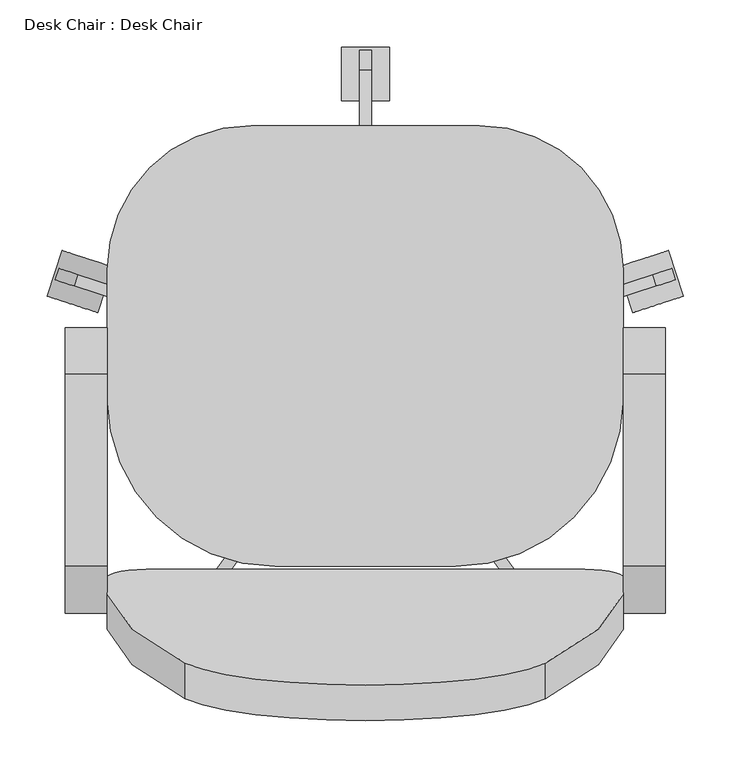
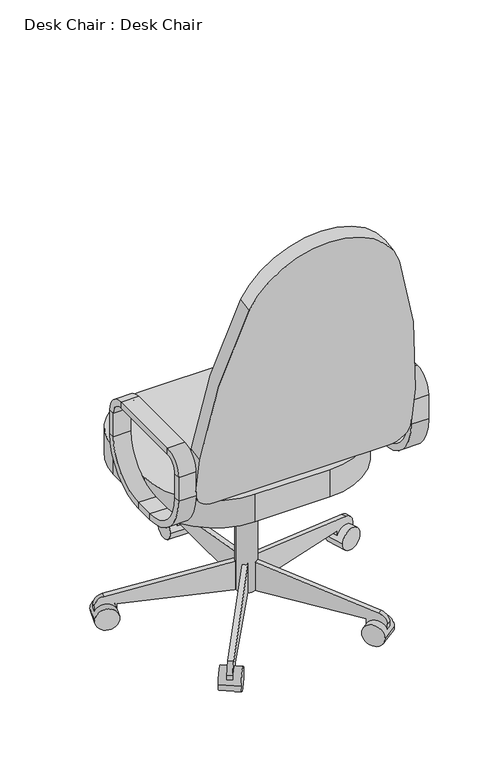
"""IFC4 building model written with IfcOpenShell, lengths in millimetres: furniture geometry, Desk Chair : Desk Chair."""

from ifc_helpers import new_model, si_unit, point, frame, frame_2d, origin, place, context, project, spatial, polyline, circle_curve, trimmed, segment, composite_curve, outline, extrude, source, transform, mapped, element, save
from ifc_brep_helpers import plane_surface, cylinder_surface, revolved_surface, advanced_brep


def desk_chair_desk_chair_8d69e98c(model_context):
    return source(origin(), model_context, "Body", "SolidModel", [
        advanced_brep(
        [(-176.5091803, -217.7873012, 546.1), (-176.5091803, -108.0540984, 436.3667972), (-176.5091803, -108.0540984, 420.4917972), (-176.5091803, -233.6623012, 546.1), (-132.0591803, -217.7873012, 546.1), (-132.0591803, -108.0540984, 436.3667972), (-132.0591803, -233.6623012, 546.1), (-132.0591803, -108.0540984, 420.4917972), (-176.5091803, -233.6623012, 609.6), (-176.5091803, -217.7873012, 609.6), (-132.0591803, -217.7873012, 609.6), (-132.0591803, -233.6623012, 609.6), (-176.5091803, -184.2540984, 643.1332028), (-176.5091803, -184.2540984, 659.0082028), (-132.0591803, -184.2540984, 643.1332028), (-132.0591803, -184.2540984, 659.0082028), (-176.5091803, 18.9459016, 659.0082028), (-176.5091803, 18.9459016, 643.1332028), (-132.0591803, 18.9459016, 643.1332028), (-132.0591803, 18.9459016, 659.0082028), (-176.5091803, 52.4791044, 609.6), (-176.5091803, 68.3541044, 609.6), (-132.0591803, 52.4791044, 609.6), (-132.0591803, 68.3541044, 609.6), (-176.5091803, 68.3541044, 546.1), (-176.5091803, 52.4791044, 546.1), (-132.0591803, 52.4791044, 546.1), (-132.0591803, 68.3541044, 546.1), (-176.5091803, -57.2540984, 436.3667972), (-176.5091803, -57.2540984, 420.4917972), (-132.0591803, -57.2540984, 436.3667972), (-132.0591803, -57.2540984, 420.4917972)],
        [
            (0, 1, circle_curve(frame((-176.5091803, -108.0540984, 546.1), z_axis=(1.0, 0.0, 0.0), x_axis=(0.0, 0.0, -1.0)), 109.7332028)),
            (1, 2),
            (2, 3, circle_curve(frame((-176.5091803, -108.0540984, 546.1), z_axis=(-1.0, 0.0, 0.0), x_axis=(0.0, 0.0, -1.0)), 125.6082028)),
            (3, 0),
            (4, 5, circle_curve(frame((-132.0591803, -108.0540984, 546.1), z_axis=(1.0, 0.0, 0.0), x_axis=(0.0, 0.0, -1.0)), 109.7332028)),
            (5, 1),
            (0, 4),
            (6, 7, circle_curve(frame((-132.0591803, -108.0540984, 546.1), z_axis=(1.0, 0.0, 0.0), x_axis=(0.0, 0.0, -1.0)), 125.6082028)),
            (7, 5),
            (4, 6),
            (2, 7),
            (6, 3),
            (3, 8),
            (8, 9),
            (9, 0),
            (9, 10),
            (10, 4),
            (10, 11),
            (11, 6),
            (11, 8),
            (12, 9, circle_curve(frame((-176.5091803, -184.2540984, 609.6), z_axis=(1.0, 0.0, 0.0), x_axis=(0.0, -1.0, 0.0)), 33.5332028)),
            (8, 13, circle_curve(frame((-176.5091803, -184.2540984, 609.6), z_axis=(-1.0, 0.0, 0.0), x_axis=(0.0, -1.0, 0.0)), 49.4082028)),
            (13, 12),
            (14, 10, circle_curve(frame((-132.0591803, -184.2540984, 609.6), z_axis=(1.0, 0.0, 0.0), x_axis=(0.0, -1.0, 0.0)), 33.5332028)),
            (12, 14),
            (15, 11, circle_curve(frame((-132.0591803, -184.2540984, 609.6), z_axis=(1.0, 0.0, 0.0), x_axis=(0.0, -1.0, 0.0)), 49.4082028)),
            (14, 15),
            (15, 13),
            (13, 16),
            (16, 17),
            (17, 12),
            (17, 18),
            (18, 14),
            (18, 19),
            (19, 15),
            (19, 16),
            (20, 17, circle_curve(frame((-176.5091803, 18.9459016, 609.6), z_axis=(1.0, 0.0, 0.0), x_axis=(0.0, 0.0, 1.0)), 33.5332028)),
            (16, 21, circle_curve(frame((-176.5091803, 18.9459016, 609.6), z_axis=(-1.0, 0.0, 0.0), x_axis=(0.0, 0.0, 1.0)), 49.4082028)),
            (21, 20),
            (22, 18, circle_curve(frame((-132.0591803, 18.9459016, 609.6), z_axis=(1.0, 0.0, 0.0), x_axis=(0.0, 0.0, 1.0)), 33.5332028)),
            (20, 22),
            (23, 19, circle_curve(frame((-132.0591803, 18.9459016, 609.6), z_axis=(1.0, 0.0, 0.0), x_axis=(0.0, 0.0, 1.0)), 49.4082028)),
            (22, 23),
            (23, 21),
            (21, 24),
            (24, 25),
            (25, 20),
            (25, 26),
            (26, 22),
            (26, 27),
            (27, 23),
            (27, 24),
            (28, 25, circle_curve(frame((-176.5091803, -57.2540984, 546.1), z_axis=(1.0, 0.0, 0.0), x_axis=(0.0, 1.0, 0.0)), 109.7332028)),
            (24, 29, circle_curve(frame((-176.5091803, -57.2540984, 546.1), z_axis=(-1.0, 0.0, 0.0), x_axis=(0.0, 1.0, 0.0)), 125.6082028)),
            (29, 28),
            (30, 26, circle_curve(frame((-132.0591803, -57.2540984, 546.1), z_axis=(1.0, 0.0, 0.0), x_axis=(0.0, 1.0, 0.0)), 109.7332028)),
            (28, 30),
            (31, 27, circle_curve(frame((-132.0591803, -57.2540984, 546.1), z_axis=(1.0, 0.0, 0.0), x_axis=(0.0, 1.0, 0.0)), 125.6082028)),
            (30, 31),
            (31, 29),
            (29, 2),
            (1, 28),
            (5, 30),
            (7, 31),
        ],
        [
            plane_surface(frame((-176.5091803, -108.0540984, 546.1), z_axis=(-1.0, 0.0, 0.0), x_axis=(0.0, 0.0, -1.0))),
            revolved_surface(polyline([(-176.5091803, -108.0540984, 436.3667972), (-132.0591803, -108.0540984, 436.3667972)]), (-132.0591803, -108.0540984, 546.1), (-1.0, 0.0, 0.0)),
            plane_surface(frame((-132.0591803, -108.0540984, 546.1), z_axis=(1.0, 0.0, 0.0), x_axis=(0.0, 0.0, -1.0))),
            cylinder_surface(frame((-132.0591803, -108.0540984, 546.1), z_axis=(-1.0, 0.0, 0.0), x_axis=(0.0, 0.0, -1.0)), 125.6082028),
            plane_surface(frame((-176.5091803, -233.6623012, 546.1), z_axis=(-1.0, 0.0, 0.0), x_axis=(0.0, 0.0, 1.0))),
            plane_surface(frame((-176.5091803, -217.7873012, 546.1), z_axis=(0.0, 1.0, 0.0), x_axis=(0.0, 0.0, 1.0))),
            plane_surface(frame((-132.0591803, -217.7873012, 546.1), z_axis=(1.0, 0.0, 0.0), x_axis=(0.0, 0.0, 1.0))),
            plane_surface(frame((-132.0591803, -233.6623012, 546.1), z_axis=(0.0, -1.0, 0.0), x_axis=(0.0, 0.0, 1.0))),
            plane_surface(frame((-176.5091803, -184.2540984, 609.6), z_axis=(-1.0, 0.0, 0.0), x_axis=(0.0, -1.0, 0.0))),
            revolved_surface(polyline([(-176.5091803, -217.7873012, 609.6), (-132.0591803, -217.7873012, 609.6)]), (-132.0591803, -184.2540984, 609.6), (-1.0, 0.0, 0.0)),
            plane_surface(frame((-132.0591803, -184.2540984, 609.6), z_axis=(1.0, 0.0, 0.0), x_axis=(0.0, -1.0, 0.0))),
            cylinder_surface(frame((-132.0591803, -184.2540984, 609.6), z_axis=(-1.0, 0.0, 0.0), x_axis=(0.0, -1.0, 0.0)), 49.4082028),
            plane_surface(frame((-176.5091803, -184.2540984, 659.0082028), z_axis=(-1.0, 0.0, 0.0), x_axis=(0.0, 1.0, 0.0))),
            plane_surface(frame((-176.5091803, -184.2540984, 643.1332028), z_axis=(0.0, 0.0, -1.0), x_axis=(0.0, 1.0, 0.0))),
            plane_surface(frame((-132.0591803, -184.2540984, 643.1332028), z_axis=(1.0, 0.0, 0.0), x_axis=(0.0, 1.0, 0.0))),
            plane_surface(frame((-132.0591803, -184.2540984, 659.0082028), z_axis=(0.0, 0.0, 1.0), x_axis=(0.0, 1.0, 0.0))),
            plane_surface(frame((-176.5091803, 18.9459016, 609.6), z_axis=(-1.0, 0.0, 0.0), x_axis=(0.0, 0.0, 1.0))),
            revolved_surface(polyline([(-176.5091803, 18.9459016, 643.1332028), (-132.0591803, 18.9459016, 643.1332028)]), (-132.0591803, 18.9459016, 609.6), (-1.0, 0.0, 0.0)),
            plane_surface(frame((-132.0591803, 18.9459016, 609.6), z_axis=(1.0, 0.0, 0.0), x_axis=(0.0, 0.0, 1.0))),
            cylinder_surface(frame((-132.0591803, 18.9459016, 609.6), z_axis=(-1.0, 0.0, 0.0), x_axis=(0.0, 0.0, 1.0)), 49.4082028),
            plane_surface(frame((-176.5091803, 68.3541044, 609.6), z_axis=(-1.0, 0.0, 0.0), x_axis=(0.0, 0.0, -1.0))),
            plane_surface(frame((-176.5091803, 52.4791044, 609.6), z_axis=(0.0, -1.0, 0.0), x_axis=(0.0, 0.0, -1.0))),
            plane_surface(frame((-132.0591803, 52.4791044, 609.6), z_axis=(1.0, 0.0, 0.0), x_axis=(0.0, 0.0, -1.0))),
            plane_surface(frame((-132.0591803, 68.3541044, 609.6), z_axis=(0.0, 1.0, 0.0), x_axis=(0.0, 0.0, -1.0))),
            plane_surface(frame((-176.5091803, -57.2540984, 546.1), z_axis=(-1.0, 0.0, 0.0), x_axis=(0.0, 1.0, 0.0))),
            revolved_surface(polyline([(-176.5091803, 52.479104400000004, 546.1), (-132.0591803, 52.479104400000004, 546.1)]), (-132.0591803, -57.2540984, 546.1), (-1.0, 0.0, 0.0)),
            plane_surface(frame((-132.0591803, -57.2540984, 546.1), z_axis=(1.0, 0.0, 0.0), x_axis=(0.0, 1.0, 0.0))),
            cylinder_surface(frame((-132.0591803, -57.2540984, 546.1), z_axis=(-1.0, 0.0, 0.0), x_axis=(0.0, 1.0, 0.0)), 125.6082028),
            plane_surface(frame((-176.5091803, -57.2540984, 420.4917972), z_axis=(-1.0, 0.0, 0.0), x_axis=(0.0, -1.0, 0.0))),
            plane_surface(frame((-176.5091803, -57.2540984, 436.3667972), z_axis=(0.0, 0.0, 1.0), x_axis=(0.0, -1.0, 0.0))),
            plane_surface(frame((-132.0591803, -57.2540984, 436.3667972), z_axis=(1.0, 0.0, 0.0), x_axis=(0.0, -1.0, 0.0))),
            plane_surface(frame((-132.0591803, -57.2540984, 420.4917972), z_axis=(0.0, 0.0, -1.0), x_axis=(0.0, -1.0, 0.0))),
        ],
        [
            (0, [[1, 2, 3, 4]]),
            (1, [[5, 6, -1, 7]]),
            (2, [[8, 9, -5, 10]]),
            (3, [[-3, 11, -8, 12]]),
            (4, [[-4, 13, 14, 15]]),
            (5, [[-7, -15, 16, 17]]),
            (6, [[-10, -17, 18, 19]]),
            (7, [[-12, -19, 20, -13]]),
            (8, [[21, -14, 22, 23]]),
            (9, [[24, -16, -21, 25]]),
            (10, [[26, -18, -24, 27]]),
            (11, [[-22, -20, -26, 28]]),
            (12, [[-23, 29, 30, 31]]),
            (13, [[-25, -31, 32, 33]]),
            (14, [[-27, -33, 34, 35]]),
            (15, [[-28, -35, 36, -29]]),
            (16, [[37, -30, 38, 39]]),
            (17, [[40, -32, -37, 41]]),
            (18, [[42, -34, -40, 43]]),
            (19, [[-38, -36, -42, 44]]),
            (20, [[-39, 45, 46, 47]]),
            (21, [[-41, -47, 48, 49]]),
            (22, [[-43, -49, 50, 51]]),
            (23, [[-44, -51, 52, -45]]),
            (24, [[53, -46, 54, 55]]),
            (25, [[56, -48, -53, 57]]),
            (26, [[58, -50, -56, 59]]),
            (27, [[-54, -52, -58, 60]]),
            (28, [[-55, 61, -2, 62]]),
            (29, [[-57, -62, -6, 63]]),
            (30, [[-59, -63, -9, 64]]),
            (31, [[-60, -64, -11, -61]]),
        ],
    ),
        advanced_brep(
        [(414.0408197, -233.6623012, 546.1), (414.0408197, -108.0540984, 420.4917972), (458.4908197, -108.0540984, 420.4917972), (458.4908197, -233.6623012, 546.1), (414.0408197, -217.7873012, 546.1), (414.0408197, -108.0540984, 436.3667972), (458.4908197, -217.7873012, 546.1), (458.4908197, -108.0540984, 436.3667972), (458.4908197, -233.6623012, 609.6), (414.0408197, -233.6623012, 609.6), (414.0408197, -217.7873012, 609.6), (458.4908197, -217.7873012, 609.6), (414.0408197, -184.2540984, 659.0082028), (458.4908197, -184.2540984, 659.0082028), (414.0408197, -184.2540984, 643.1332028), (458.4908197, -184.2540984, 643.1332028), (458.4908197, 18.9459016, 659.0082028), (414.0408197, 18.9459016, 659.0082028), (414.0408197, 18.9459016, 643.1332028), (458.4908197, 18.9459016, 643.1332028), (414.0408197, 68.3541044, 609.6), (458.4908197, 68.3541044, 609.6), (414.0408197, 52.4791044, 609.6), (458.4908197, 52.4791044, 609.6), (458.4908197, 68.3541044, 546.1), (414.0408197, 68.3541044, 546.1), (414.0408197, 52.4791044, 546.1), (458.4908197, 52.4791044, 546.1), (414.0408197, -57.2540984, 420.4917972), (458.4908197, -57.2540984, 420.4917972), (414.0408197, -57.2540984, 436.3667972), (458.4908197, -57.2540984, 436.3667972)],
        [
            (0, 1, circle_curve(frame((414.0408197, -108.0540984, 546.1), z_axis=(1.0, 0.0, 0.0), x_axis=(0.0, 0.0, -1.0)), 125.6082028)),
            (1, 2),
            (2, 3, circle_curve(frame((458.4908197, -108.0540984, 546.1), z_axis=(-1.0, 0.0, 0.0), x_axis=(0.0, 0.0, -1.0)), 125.6082028)),
            (3, 0),
            (4, 5, circle_curve(frame((414.0408197, -108.0540984, 546.1), z_axis=(1.0, 0.0, 0.0), x_axis=(0.0, 0.0, -1.0)), 109.7332028)),
            (5, 1),
            (0, 4),
            (6, 7, circle_curve(frame((458.4908197, -108.0540984, 546.1), z_axis=(1.0, 0.0, 0.0), x_axis=(0.0, 0.0, -1.0)), 109.7332028)),
            (7, 5),
            (4, 6),
            (2, 7),
            (6, 3),
            (3, 8),
            (8, 9),
            (9, 0),
            (9, 10),
            (10, 4),
            (10, 11),
            (11, 6),
            (11, 8),
            (12, 9, circle_curve(frame((414.0408197, -184.2540984, 609.6), z_axis=(1.0, 0.0, 0.0), x_axis=(0.0, -1.0, 0.0)), 49.4082028)),
            (8, 13, circle_curve(frame((458.4908197, -184.2540984, 609.6), z_axis=(-1.0, 0.0, 0.0), x_axis=(0.0, -1.0, 0.0)), 49.4082028)),
            (13, 12),
            (14, 10, circle_curve(frame((414.0408197, -184.2540984, 609.6), z_axis=(1.0, 0.0, 0.0), x_axis=(0.0, -1.0, 0.0)), 33.5332028)),
            (12, 14),
            (15, 11, circle_curve(frame((458.4908197, -184.2540984, 609.6), z_axis=(1.0, 0.0, 0.0), x_axis=(0.0, -1.0, 0.0)), 33.5332028)),
            (14, 15),
            (15, 13),
            (13, 16),
            (16, 17),
            (17, 12),
            (17, 18),
            (18, 14),
            (18, 19),
            (19, 15),
            (19, 16),
            (20, 17, circle_curve(frame((414.0408197, 18.9459016, 609.6), z_axis=(1.0, 0.0, 0.0), x_axis=(0.0, 0.0, 1.0)), 49.4082028)),
            (16, 21, circle_curve(frame((458.4908197, 18.9459016, 609.6), z_axis=(-1.0, 0.0, 0.0), x_axis=(0.0, 0.0, 1.0)), 49.4082028)),
            (21, 20),
            (22, 18, circle_curve(frame((414.0408197, 18.9459016, 609.6), z_axis=(1.0, 0.0, 0.0), x_axis=(0.0, 0.0, 1.0)), 33.5332028)),
            (20, 22),
            (23, 19, circle_curve(frame((458.4908197, 18.9459016, 609.6), z_axis=(1.0, 0.0, 0.0), x_axis=(0.0, 0.0, 1.0)), 33.5332028)),
            (22, 23),
            (23, 21),
            (21, 24),
            (24, 25),
            (25, 20),
            (25, 26),
            (26, 22),
            (26, 27),
            (27, 23),
            (27, 24),
            (28, 25, circle_curve(frame((414.0408197, -57.2540984, 546.1), z_axis=(1.0, 0.0, 0.0), x_axis=(0.0, 1.0, 0.0)), 125.6082028)),
            (24, 29, circle_curve(frame((458.4908197, -57.2540984, 546.1), z_axis=(-1.0, 0.0, 0.0), x_axis=(0.0, 1.0, 0.0)), 125.6082028)),
            (29, 28),
            (30, 26, circle_curve(frame((414.0408197, -57.2540984, 546.1), z_axis=(1.0, 0.0, 0.0), x_axis=(0.0, 1.0, 0.0)), 109.7332028)),
            (28, 30),
            (31, 27, circle_curve(frame((458.4908197, -57.2540984, 546.1), z_axis=(1.0, 0.0, 0.0), x_axis=(0.0, 1.0, 0.0)), 109.7332028)),
            (30, 31),
            (31, 29),
            (29, 2),
            (1, 28),
            (5, 30),
            (7, 31),
        ],
        [
            cylinder_surface(frame((414.0408197, -108.0540984, 546.1), z_axis=(-1.0, 0.0, 0.0), x_axis=(0.0, 0.0, -1.0)), 125.6082028),
            plane_surface(frame((414.0408197, -108.0540984, 546.1), z_axis=(-1.0, 0.0, 0.0), x_axis=(0.0, 0.0, -1.0))),
            revolved_surface(polyline([(414.0408197, -108.0540984, 436.3667972), (458.4908197, -108.0540984, 436.3667972)]), (414.0408197, -108.0540984, 546.1), (-1.0, 0.0, 0.0)),
            plane_surface(frame((458.4908197, -108.0540984, 546.1), z_axis=(1.0, 0.0, 0.0), x_axis=(0.0, 0.0, -1.0))),
            plane_surface(frame((458.4908197, -233.6623012, 546.1), z_axis=(0.0, -1.0, 0.0), x_axis=(0.0, 0.0, 1.0))),
            plane_surface(frame((414.0408197, -233.6623012, 546.1), z_axis=(-1.0, 0.0, 0.0), x_axis=(0.0, 0.0, 1.0))),
            plane_surface(frame((414.0408197, -217.7873012, 546.1), z_axis=(0.0, 1.0, 0.0), x_axis=(0.0, 0.0, 1.0))),
            plane_surface(frame((458.4908197, -217.7873012, 546.1), z_axis=(1.0, 0.0, 0.0), x_axis=(0.0, 0.0, 1.0))),
            cylinder_surface(frame((414.0408197, -184.2540984, 609.6), z_axis=(-1.0, 0.0, 0.0), x_axis=(0.0, -1.0, 0.0)), 49.4082028),
            plane_surface(frame((414.0408197, -184.2540984, 609.6), z_axis=(-1.0, 0.0, 0.0), x_axis=(0.0, -1.0, 0.0))),
            revolved_surface(polyline([(414.0408197, -217.7873012, 609.6), (458.4908197, -217.7873012, 609.6)]), (414.0408197, -184.2540984, 609.6), (-1.0, 0.0, 0.0)),
            plane_surface(frame((458.4908197, -184.2540984, 609.6), z_axis=(1.0, 0.0, 0.0), x_axis=(0.0, -1.0, 0.0))),
            plane_surface(frame((458.4908197, -184.2540984, 659.0082028), z_axis=(0.0, 0.0, 1.0), x_axis=(0.0, 1.0, 0.0))),
            plane_surface(frame((414.0408197, -184.2540984, 659.0082028), z_axis=(-1.0, 0.0, 0.0), x_axis=(0.0, 1.0, 0.0))),
            plane_surface(frame((414.0408197, -184.2540984, 643.1332028), z_axis=(0.0, 0.0, -1.0), x_axis=(0.0, 1.0, 0.0))),
            plane_surface(frame((458.4908197, -184.2540984, 643.1332028), z_axis=(1.0, 0.0, 0.0), x_axis=(0.0, 1.0, 0.0))),
            cylinder_surface(frame((414.0408197, 18.9459016, 609.6), z_axis=(-1.0, 0.0, 0.0), x_axis=(0.0, 0.0, 1.0)), 49.4082028),
            plane_surface(frame((414.0408197, 18.9459016, 609.6), z_axis=(-1.0, 0.0, 0.0), x_axis=(0.0, 0.0, 1.0))),
            revolved_surface(polyline([(414.0408197, 18.9459016, 643.1332028), (458.4908197, 18.9459016, 643.1332028)]), (414.0408197, 18.9459016, 609.6), (-1.0, 0.0, 0.0)),
            plane_surface(frame((458.4908197, 18.9459016, 609.6), z_axis=(1.0, 0.0, 0.0), x_axis=(0.0, 0.0, 1.0))),
            plane_surface(frame((458.4908197, 68.3541044, 609.6), z_axis=(0.0, 1.0, 0.0), x_axis=(0.0, 0.0, -1.0))),
            plane_surface(frame((414.0408197, 68.3541044, 609.6), z_axis=(-1.0, 0.0, 0.0), x_axis=(0.0, 0.0, -1.0))),
            plane_surface(frame((414.0408197, 52.4791044, 609.6), z_axis=(0.0, -1.0, 0.0), x_axis=(0.0, 0.0, -1.0))),
            plane_surface(frame((458.4908197, 52.4791044, 609.6), z_axis=(1.0, 0.0, 0.0), x_axis=(0.0, 0.0, -1.0))),
            cylinder_surface(frame((414.0408197, -57.2540984, 546.1), z_axis=(-1.0, 0.0, 0.0), x_axis=(0.0, 1.0, 0.0)), 125.6082028),
            plane_surface(frame((414.0408197, -57.2540984, 546.1), z_axis=(-1.0, 0.0, 0.0), x_axis=(0.0, 1.0, 0.0))),
            revolved_surface(polyline([(414.0408197, 52.479104400000004, 546.1), (458.4908197, 52.479104400000004, 546.1)]), (414.0408197, -57.2540984, 546.1), (-1.0, 0.0, 0.0)),
            plane_surface(frame((458.4908197, -57.2540984, 546.1), z_axis=(1.0, 0.0, 0.0), x_axis=(0.0, 1.0, 0.0))),
            plane_surface(frame((458.4908197, -57.2540984, 420.4917972), z_axis=(0.0, 0.0, -1.0), x_axis=(0.0, -1.0, 0.0))),
            plane_surface(frame((414.0408197, -57.2540984, 420.4917972), z_axis=(-1.0, 0.0, 0.0), x_axis=(0.0, -1.0, 0.0))),
            plane_surface(frame((414.0408197, -57.2540984, 436.3667972), z_axis=(0.0, 0.0, 1.0), x_axis=(0.0, -1.0, 0.0))),
            plane_surface(frame((458.4908197, -57.2540984, 436.3667972), z_axis=(1.0, 0.0, 0.0), x_axis=(0.0, -1.0, 0.0))),
        ],
        [
            (0, [[1, 2, 3, 4]]),
            (1, [[5, 6, -1, 7]]),
            (2, [[8, 9, -5, 10]]),
            (3, [[-3, 11, -8, 12]]),
            (4, [[-4, 13, 14, 15]]),
            (5, [[-7, -15, 16, 17]]),
            (6, [[-10, -17, 18, 19]]),
            (7, [[-12, -19, 20, -13]]),
            (8, [[21, -14, 22, 23]]),
            (9, [[24, -16, -21, 25]]),
            (10, [[26, -18, -24, 27]]),
            (11, [[-22, -20, -26, 28]]),
            (12, [[-23, 29, 30, 31]]),
            (13, [[-25, -31, 32, 33]]),
            (14, [[-27, -33, 34, 35]]),
            (15, [[-28, -35, 36, -29]]),
            (16, [[37, -30, 38, 39]]),
            (17, [[40, -32, -37, 41]]),
            (18, [[42, -34, -40, 43]]),
            (19, [[-38, -36, -42, 44]]),
            (20, [[-39, 45, 46, 47]]),
            (21, [[-41, -47, 48, 49]]),
            (22, [[-43, -49, 50, 51]]),
            (23, [[-44, -51, 52, -45]]),
            (24, [[53, -46, 54, 55]]),
            (25, [[56, -48, -53, 57]]),
            (26, [[58, -50, -56, 59]]),
            (27, [[-54, -52, -58, 60]]),
            (28, [[-55, 61, -2, 62]]),
            (29, [[-57, -62, -6, 63]]),
            (30, [[-59, -63, -9, 64]]),
            (31, [[-60, -64, -11, -61]]),
        ],
    ),
        extrude(outline(composite_curve([segment(trimmed(circle_curve(frame_2d((0.0, -50.8)), 50.8), [point((0.0, 0.0))], [point((50.8, -50.8))], False, "CARTESIAN"), True, "CONTINUOUS"), segment(polyline([(50.8, -50.8), (50.8, -152.4)]), True, "CONTINUOUS"), segment(trimmed(circle_curve(frame_2d((-1471.2021854, -74.3913617)), 1524.0), [point((50.8, -152.4))], [point((-31.75, -574.9444618))], False, "CARTESIAN"), True, "CONTINUOUS"), segment(trimmed(circle_curve(frame_2d((-222.25, -504.2338544)), 203.2), [point((-31.75, -574.9444618))], [point((-412.75, -574.9444618))], False, "CARTESIAN"), True, "CONTINUOUS"), segment(trimmed(circle_curve(frame_2d((1026.7021854, -74.3913617)), 1524.0), [point((-412.75, -574.9444618))], [point((-495.3, -152.4))], False, "CARTESIAN"), True, "CONTINUOUS"), segment(polyline([(-495.3, -152.4), (-495.3, -50.8)]), True, "CONTINUOUS"), segment(trimmed(circle_curve(frame_2d((-444.5, -50.8)), 50.8), [point((-495.3, -50.8))], [point((-444.5, 0.0))], False, "CARTESIAN"), True, "CONTINUOUS"), segment(polyline([(-444.5, 0.0), (0.0, 0.0)]), True, "CONTINUOUS")], self_intersect=False)), frame((363.2408197, -224.5698964, 503.1641822), z_axis=(0.0, 0.9848077530122084, 0.17364817766692853), x_axis=(1.0, 0.0, 0.0)), (0.0, 0.0, 1.0), 38.1),
        extrude(outline(composite_curve([segment(trimmed(circle_curve(frame_2d((20.3408197, 129.4961016)), 152.4), [point((-132.0591803, 129.4961016))], [point((20.3408197, 281.8961016))], False, "CARTESIAN"), True, "CONTINUOUS"), segment(polyline([(20.3408197, 281.8961016), (261.6408197, 281.8961016)]), True, "CONTINUOUS"), segment(trimmed(circle_curve(frame_2d((261.6408197, 129.4961016)), 152.4), [point((261.6408197, 281.8961016))], [point((414.0408197, 129.4961016))], False, "CARTESIAN"), True, "CONTINUOUS"), segment(polyline([(414.0408197, 129.4961016), (414.0408197, -6.4540984)]), True, "CONTINUOUS"), segment(trimmed(circle_curve(frame_2d((236.2408197, -6.4540984)), 177.8), [point((414.0408197, -6.4540984))], [point((236.2408197, -184.2540984))], False, "CARTESIAN"), True, "CONTINUOUS"), segment(polyline([(236.2408197, -184.2540984), (45.7408197, -184.2540984)]), True, "CONTINUOUS"), segment(trimmed(circle_curve(frame_2d((45.7408197, -6.4540984)), 177.8), [point((45.7408197, -184.2540984))], [point((-132.0591803, -6.4540984))], False, "CARTESIAN"), True, "CONTINUOUS"), segment(polyline([(-132.0591803, -6.4540984), (-132.0591803, 129.4961016)]), True, "CONTINUOUS")], self_intersect=False)), frame((0.0, 0.0, 383.7835944), z_axis=(0.0, 0.0, 1.0), x_axis=(1.0, 0.0, 0.0)), (0.0, 0.0, 1.0), 73.4164056),
        extrude(outline(composite_curve([segment(trimmed(circle_curve(frame_2d((140.9908197, 18.9459016)), 25.4), [point((115.5908197, 18.9459016))], [point((166.3908197, 18.9459016))], False, "CARTESIAN"), True, "CONTINUOUS"), segment(trimmed(circle_curve(frame_2d((140.9908197, 18.9459016)), 25.4), [point((166.3908197, 18.9459016))], [point((115.5908197, 18.9459016))], False, "CARTESIAN"), True, "CONTINUOUS")], self_intersect=False)), frame((0.0, 0.0, 53.5835944), z_axis=(0.0, 0.0, 1.0), x_axis=(1.0, 0.0, 0.0)), (0.0, 0.0, 1.0), 330.5914056),
        extrude(outline(composite_curve([segment(trimmed(circle_curve(frame_2d((0.0, -28.2002727)), 28.2002727), [point((0.0, -56.4005455))], [point((0.0, 0.0))], False, "CARTESIAN"), True, "CONTINUOUS"), segment(trimmed(circle_curve(frame_2d((0.0, -28.2002727)), 28.2002727), [point((0.0, 0.0))], [point((0.0, -56.4005455))], False, "CARTESIAN"), True, "CONTINUOUS")], self_intersect=False)), frame((477.6203484, 101.6163254, 28.1835944), z_axis=(-0.3090169943749423, 0.9510565162951553, 0.0), x_axis=(0.0, 0.0, 1.0)), (0.0, 0.0, 1.0), 50.8),
        extrude(outline(composite_curve([segment(polyline([(-25.4, 0.0), (0.0, 0.0), (0.0, -50.8), (-24.303053, -50.8)]), True, "CONTINUOUS"), segment(trimmed(circle_curve(frame_2d((-24.303053, -25.4)), 25.4), [point((-24.303053, -50.8))], [point((-49.3171699, -29.8106637))], False, "CARTESIAN"), True, "CONTINUOUS"), segment(polyline([(-49.3171699, -29.8106637), (-101.6, 266.7), (-101.6, 292.1), (-25.4, 292.1), (-25.4, 0.0)]), True, "CONTINUOUS")], self_intersect=False)), frame((420.756686, 103.1705568, 28.1835944), z_axis=(-0.3090169943749423, 0.9510565162951553, 0.0), x_axis=(0.0, 0.0, -1.0)), (0.0, 0.0, 1.0), 12.7),
        extrude(outline(composite_curve([segment(trimmed(circle_curve(frame_2d((0.0, -28.2002727)), 28.2002727), [point((0.0, -56.4005455))], [point((0.0, 0.0))], False, "CARTESIAN"), True, "CONTINUOUS"), segment(trimmed(circle_curve(frame_2d((0.0, -28.2002727)), 28.2002727), [point((0.0, 0.0))], [point((0.0, -56.4005455))], False, "CARTESIAN"), True, "CONTINUOUS")], self_intersect=False)), frame((323.63931, -275.6612394, 28.1835944), z_axis=(0.8090169943749499, 0.5877852522924699, 0.0), x_axis=(0.0, 0.0, 1.0)), (0.0, 0.0, 1.0), 50.8),
        extrude(outline(composite_curve([segment(polyline([(-25.4, 0.0), (0.0, 0.0), (0.0, -50.8), (-24.303053, -50.8)]), True, "CONTINUOUS"), segment(trimmed(circle_curve(frame_2d((-24.303053, -25.3999999)), 25.4), [point((-24.303053, -50.8))], [point((-49.3171699, -29.8106636))], False, "CARTESIAN"), True, "CONTINUOUS"), segment(polyline([(-49.3171699, -29.8106636), (-101.6, 266.7), (-101.6, 292.1), (-25.4, 292.1), (-25.4, 0.0)]), True, "CONTINUOUS")], self_intersect=False)), frame((307.545634, -221.1003988, 28.1835944), z_axis=(0.8090169943749499, 0.5877852522924699, 0.0), x_axis=(0.0, 0.0, -1.0)), (0.0, 0.0, 1.0), 12.7),
        extrude(outline(composite_curve([segment(trimmed(circle_curve(frame_2d((0.0, -28.2002727)), 28.2002727), [point((0.0, -56.4005455))], [point((0.0, 0.0))], False, "CARTESIAN"), True, "CONTINUOUS"), segment(trimmed(circle_curve(frame_2d((0.0, -28.2002727)), 28.2002727), [point((0.0, 0.0))], [point((0.0, -56.4005455))], False, "CARTESIAN"), True, "CONTINUOUS")], self_intersect=False)), frame((-41.6576707, -275.6612394, 28.1835944), z_axis=(-0.8090169943749458, 0.5877852522924754, 0.0), x_axis=(0.0, 0.0, -1.0)), (0.0, 0.0, 1.0), 50.8),
        extrude(outline(composite_curve([segment(polyline([(25.4, 0.0), (25.4, 292.1), (101.6, 292.1), (101.6, 266.7), (49.3171699, -29.8106637)]), True, "CONTINUOUS"), segment(trimmed(circle_curve(frame_2d((24.303053, -25.3999999)), 25.4), [point((49.3171699, -29.8106637))], [point((24.303053, -50.8))], False, "CARTESIAN"), True, "CONTINUOUS"), segment(polyline([(24.303053, -50.8), (0.0, -50.8), (0.0, 0.0), (25.4, 0.0)]), True, "CONTINUOUS")], self_intersect=False)), frame((-25.5639946, -221.1003988, 28.1835944), z_axis=(-0.8090169943749459, 0.5877852522924754, 0.0), x_axis=(0.0, 0.0, 1.0)), (0.0, 0.0, 1.0), 12.7),
        extrude(outline(composite_curve([segment(trimmed(circle_curve(frame_2d((0.0, -28.2002727)), 28.2002727), [point((0.0, -56.4005454))], [point((0.0, 0.0))], False, "CARTESIAN"), True, "CONTINUOUS"), segment(trimmed(circle_curve(frame_2d((0.0, -28.2002727)), 28.2002727), [point((0.0, 0.0))], [point((0.0, -56.4005454))], False, "CARTESIAN"), True, "CONTINUOUS")], self_intersect=False)), frame((-195.638709, 101.6163254, 28.1835944), z_axis=(0.3090169943749487, 0.9510565162951532, 0.0), x_axis=(0.0, 0.0, -1.0)), (0.0, 0.0, 1.0), 50.8),
        extrude(outline(composite_curve([segment(polyline([(25.4, 0.0), (25.4, 292.1000001), (101.6, 292.1000001), (101.6, 266.7), (49.3171699, -29.8106636)]), True, "CONTINUOUS"), segment(trimmed(circle_curve(frame_2d((24.303053, -25.4)), 25.4), [point((49.3171699, -29.8106636))], [point((24.303053, -50.8))], False, "CARTESIAN"), True, "CONTINUOUS"), segment(polyline([(24.303053, -50.8), (0.0, -50.8), (0.0, 0.0), (25.4, 0.0)]), True, "CONTINUOUS")], self_intersect=False)), frame((-138.7750467, 103.1705568, 28.1835944), z_axis=(0.3090169943749487, 0.9510565162951532, 0.0), x_axis=(0.0, 0.0, 1.0)), (0.0, 0.0, 1.0), 12.7),
        extrude(outline(composite_curve([segment(trimmed(circle_curve(frame_2d((336.4459016, 28.1835944)), 28.2002727), [point((308.2456289, 28.1835944))], [point((364.6461744, 28.1835944))], False, "CARTESIAN"), True, "CONTINUOUS"), segment(trimmed(circle_curve(frame_2d((336.4459016, 28.1835944)), 28.2002727), [point((364.6461744, 28.1835944))], [point((308.2456289, 28.1835944))], False, "CARTESIAN"), True, "CONTINUOUS")], self_intersect=False)), frame((115.5908197, 0.0, 0.0), z_axis=(1.0, 0.0, 0.0), x_axis=(0.0, 1.0, 0.0)), (0.0, 0.0, 1.0), 50.8),
        extrude(outline(composite_curve([segment(polyline([(311.0459016, 53.5835944), (18.9459016, 53.5835944), (18.9459016, 129.7835944), (44.3459016, 129.7835944), (340.8565654, 77.5007643)]), True, "CONTINUOUS"), segment(trimmed(circle_curve(frame_2d((336.4459016, 52.4866474)), 25.4), [point((340.8565654, 77.5007643))], [point((361.8459016, 52.4866474))], False, "CARTESIAN"), True, "CONTINUOUS"), segment(polyline([(361.8459016, 52.4866474), (361.8459016, 28.1835944), (311.0459016, 28.1835944), (311.0459016, 53.5835944)]), True, "CONTINUOUS")], self_intersect=False)), frame((134.6408197, 0.0, 0.0), z_axis=(1.0, 0.0, 0.0), x_axis=(0.0, 1.0, 0.0)), (0.0, 0.0, 1.0), 12.7),
        extrude(outline(polyline([(69.7459016, 383.7835944), (69.7459016, 371.0835944), (18.9459016, 283.0954134), (-19.1540984, 283.0954134), (-19.1540984, 383.7835944), (69.7459016, 383.7835944)])), frame((90.1908197, 0.0, 0.0), z_axis=(1.0, 0.0, 0.0), x_axis=(0.0, 1.0, 0.0)), (0.0, 0.0, 1.0), 101.6),
    ])


if __name__ == "__main__":
    model = new_model("IFC4")
    model_context = context("Model", 3, world=origin())
    ifc_project = project(units=[si_unit("LENGTHUNIT", "METRE", prefix="MILLI")], contexts=[model_context])
    site = spatial("IfcSite", under=ifc_project)
    building = spatial("IfcBuilding", under=site)
    placement = place(None, origin())
    desk_chair_desk_chair_shape = desk_chair_desk_chair_8d69e98c(model_context)
    element("IfcFurniture", 1, ObjectType="Desk Chair : Desk Chair", at=placement, inside=building, context=model_context, shape_type="MappedRepresentation", body=[
        mapped(desk_chair_desk_chair_shape, transform((0.0, 0.0, 0.0), x_axis=(1.0, 0.0, 0.0), y_axis=(0.0, 1.0, 0.0), z_axis=(0.0, 0.0, 1.0))),
    ])
    save(model, "model.ifc")
